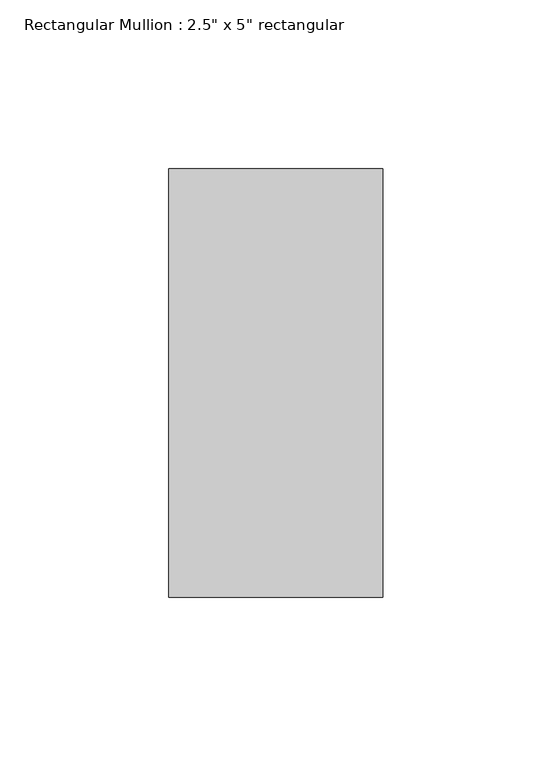
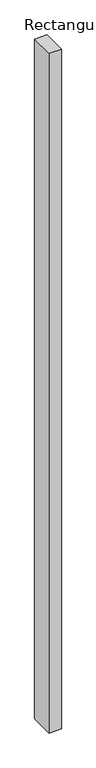
"""IFC4 building model written with IfcOpenShell, lengths in millimetres: member geometry."""

import ifcopenshell
import ifcopenshell.guid

model = None  # the IFC model being written
_history = None  # IfcOwnerHistory: only IFC2X3 demands one
_inside = {}  # id of a spatial element -> (the spatial element, [elements in it])
_under = {}  # id of a project, library or spatial element -> (it, [spatial elements below it])
_declared = {}  # id of a project -> (the project, [libraries it declares])
_typed = {}  # id of a type object -> (the type object, [elements of that type])
_made_of = {}  # id of a material, layer set ... -> (it, [elements and type objects made of it])


def new_model(schema):
    """Start an empty IFC model of exactly this schema.

    Asked for "IFC4X3", IfcOpenShell would pick the latest addendum, in which some entities
    have other attributes; the version numbers below select the first issue.
    IFC2X3 requires an IfcOwnerHistory on every rooted entity: one is made here for all.
    """
    global model, _history
    if schema == "IFC4X3":
        model = ifcopenshell.file(schema_version=(4, 3, 0, 0))
    else:
        model = ifcopenshell.file(schema=schema)
    _inside.clear()
    _under.clear()
    _declared.clear()
    _typed.clear()
    _made_of.clear()
    _history = None
    if model.schema == "IFC2X3":
        org = make("IfcOrganization", Name="unknown")
        user = make(
            "IfcPersonAndOrganization",
            ThePerson=make("IfcPerson", FamilyName="unknown"),
            TheOrganization=org,
        )
        app = make(
            "IfcApplication",
            ApplicationDeveloper=org,
            Version="unknown",
            ApplicationFullName="unknown",
            ApplicationIdentifier="unknown",
        )
        _history = make(
            "IfcOwnerHistory",
            OwningUser=user,
            OwningApplication=app,
            ChangeAction="ADDED",
            CreationDate=0,
        )
    return model


def make(cls, **values):
    """One entity of the class cls with the attributes given. An attribute that is None is left unset."""
    return model.create_entity(
        cls, **{name: value for name, value in values.items() if value is not None}
    )


def rooted(cls, **values):
    """An entity with a GlobalId (a new one), such as an element, a storey or a relation."""
    return make(cls, GlobalId=ifcopenshell.guid.new(), OwnerHistory=_history, **values)


def si_unit(unit_type, name, prefix=None):
    """IfcSIUnit, for example si_unit("LENGTHUNIT", "METRE", prefix="MILLI")."""
    return make("IfcSIUnit", UnitType=unit_type, Prefix=prefix, Name=name)


def assignment(units):
    """IfcUnitAssignment: the units of a project."""
    return None if units is None else make("IfcUnitAssignment", Units=units)


def point(xyz):
    """IfcCartesianPoint."""
    return None if xyz is None else make("IfcCartesianPoint", Coordinates=xyz)


def direction(xyz):
    """IfcDirection."""
    return None if xyz is None else make("IfcDirection", DirectionRatios=xyz)


def frame(location, z_axis=None, x_axis=None):
    """IfcAxis2Placement3D, a coordinate frame: its origin and axes. An axis left out is left unset."""
    return make(
        "IfcAxis2Placement3D",
        Location=point(location),
        Axis=direction(z_axis),
        RefDirection=direction(x_axis),
    )


def origin():
    """The frame at (0, 0, 0) with its axes left unset."""
    return frame((0.0, 0.0, 0.0))


def place(relative_to, where):
    """IfcLocalPlacement: puts the frame where relative to a parent placement (None: the world)."""
    return make(
        "IfcLocalPlacement", PlacementRelTo=relative_to, RelativePlacement=where
    )


def context(
    kind, dimensions, precision=None, world=None, true_north=None, identifier=None
):
    """IfcGeometricRepresentationContext, for example the 3D "Model" context."""
    return make(
        "IfcGeometricRepresentationContext",
        ContextIdentifier=identifier,
        ContextType=kind,
        CoordinateSpaceDimension=dimensions,
        Precision=precision,
        WorldCoordinateSystem=world,
        TrueNorth=true_north,
    )


def project(units=None, contexts=None):
    """IfcProject with its units and contexts."""
    return rooted(
        "IfcProject",
        Name="project",
        RepresentationContexts=contexts,
        UnitsInContext=assignment(units),
    )


def spatial(cls, under=None, at=None, **own):
    """A site, building, storey or space (cls), placed at a placement, below another one or the project."""
    s = rooted(cls, ObjectPlacement=at, **own)
    if under is not None:
        _under.setdefault(under.id(), (under, []))[1].append(s)
    return s


def polyline(points):
    """IfcPolyline through the points."""
    return make("IfcPolyline", Points=[point(p) for p in points])


def outline(outer, holes=None, kind="AREA"):
    """IfcArbitraryClosedProfileDef: a profile drawn as a closed curve; with holes, ...WithVoids."""
    if holes is None:
        return make("IfcArbitraryClosedProfileDef", ProfileType=kind, OuterCurve=outer)
    return make(
        "IfcArbitraryProfileDefWithVoids",
        ProfileType=kind,
        OuterCurve=outer,
        InnerCurves=holes,
    )


def extrude(swept, where, along, depth):
    """IfcExtrudedAreaSolid: the profile swept, set in the frame where, extruded along a direction by depth."""
    return make(
        "IfcExtrudedAreaSolid",
        SweptArea=swept,
        Position=where,
        ExtrudedDirection=direction(along),
        Depth=depth,
    )


def shape(context_of_items, identifier, shape_type, items):
    """IfcShapeRepresentation: the items that make up one representation, for example the "Body"."""
    return make(
        "IfcShapeRepresentation",
        ContextOfItems=context_of_items,
        RepresentationIdentifier=identifier,
        RepresentationType=shape_type,
        Items=items,
    )


def source(mapping_origin, context_of_items, identifier, shape_type, items):
    """IfcRepresentationMap: a shape defined once, which mapped items show again and again."""
    return make(
        "IfcRepresentationMap",
        MappingOrigin=mapping_origin,
        MappedRepresentation=shape(context_of_items, identifier, shape_type, items),
    )


def transform(
    local_origin,
    x_axis=None,
    y_axis=None,
    z_axis=None,
    scale=None,
    scale2=None,
    scale3=None,
    uniform=True,
):
    """IfcCartesianTransformationOperator3D, or its non-uniform kind. x_axis, y_axis, z_axis: its Axis1, 2, 3."""
    if uniform:
        return make(
            "IfcCartesianTransformationOperator3D",
            Axis1=direction(x_axis),
            Axis2=direction(y_axis),
            LocalOrigin=point(local_origin),
            Scale=scale,
            Axis3=direction(z_axis),
        )
    return make(
        "IfcCartesianTransformationOperator3DnonUniform",
        Axis1=direction(x_axis),
        Axis2=direction(y_axis),
        LocalOrigin=point(local_origin),
        Scale=scale,
        Axis3=direction(z_axis),
        Scale2=scale2,
        Scale3=scale3,
    )


def mapped(mapping_source, mapping_target):
    """IfcMappedItem: shows the shape of a source again, moved by a transform."""
    return make(
        "IfcMappedItem", MappingSource=mapping_source, MappingTarget=mapping_target
    )


def made_of(thing, what):
    """Note that an element or type object is made of a material, layer set ...; save() writes the relation."""
    if what is not None:
        _made_of.setdefault(what.id(), (what, []))[1].append(thing)
    return thing


def element(
    cls,
    number,
    at=None,
    inside=None,
    cuts=None,
    type_object=None,
    material=None,
    context=None,
    identifier="Body",
    shape_type=None,
    held_by="IfcProductDefinitionShape",
    body=None,
    shapes=None,
    **own,
):
    """One element of the class cls, such as IfcWall. Its Tag is "e" and its number.

    at: its placement. inside: the storey or other place that contains it. cuts: it is an
    opening in that element (IfcRelVoidsElement). A single representation is given by context,
    identifier, shape_type and body (its items); several are given by shapes. held_by: the class
    of the entity that holds the representations. save() writes the other relations.
    """
    e = rooted(cls, Tag="e%d" % number, ObjectPlacement=at, **own)
    if body is not None:
        shapes = [shape(context, identifier, shape_type, body)]
    if shapes is not None:
        e.Representation = make(held_by, Representations=shapes)
    if inside is not None:
        _inside.setdefault(inside.id(), (inside, []))[1].append(e)
    if cuts is not None:
        rooted(
            "IfcRelVoidsElement", RelatingBuildingElement=cuts, RelatedOpeningElement=e
        )
    if type_object is not None:
        _typed.setdefault(type_object.id(), (type_object, []))[1].append(e)
    return made_of(e, material)


def aggregate(whole, parts):
    """IfcRelAggregates: a whole, such as a stair, and the parts it consists of."""
    return rooted("IfcRelAggregates", RelatingObject=whole, RelatedObjects=parts)


def save(model, path):
    """Write the relations noted so far, then the file.

    IfcRelAggregates (storeys below a building ...), IfcRelContainedInSpatialStructure (elements
    in a storey), IfcRelDefinesByType, IfcRelAssociatesMaterial and IfcRelDeclares: one each for
    every whole, place, type object, material and project.
    """
    for whole, parts in _under.values():
        aggregate(whole, parts)
    for where, things in _inside.values():
        rooted(
            "IfcRelContainedInSpatialStructure",
            RelatedElements=things,
            RelatingStructure=where,
        )
    for kind, things in _typed.values():
        rooted("IfcRelDefinesByType", RelatedObjects=things, RelatingType=kind)
    for what, things in _made_of.values():
        rooted("IfcRelAssociatesMaterial", RelatedObjects=things, RelatingMaterial=what)
    for by, libraries in _declared.values():
        rooted("IfcRelDeclares", RelatingContext=by, RelatedDefinitions=libraries)
    model.write(path)


def member_7a0c5841(model_context):
    return source(origin(), model_context, "Body", "SweptSolid", [
        extrude(outline(polyline([(31.75, 63.5), (31.75, -63.5), (-31.75, -63.5), (-31.75, 63.5), (31.75, 63.5)])), frame((0.0, 0.0, -3690.0076344), z_axis=(0.0, 0.0, 1.0), x_axis=(1.0, 0.0, 0.0)), (0.0, 0.0, 1.0), 3690.0076344),
    ])


if __name__ == "__main__":
    model = new_model("IFC4")
    model_context = context("Model", 3, world=origin())
    ifc_project = project(units=[si_unit("LENGTHUNIT", "METRE", prefix="MILLI")], contexts=[model_context])
    site = spatial("IfcSite", under=ifc_project)
    building = spatial("IfcBuilding", under=site)
    placement = place(None, origin())
    member_shape = member_7a0c5841(model_context)
    element("IfcMember", 1, ObjectType="Rectangular Mullion : 2.5\" x 5\" rectangular", at=placement, inside=building, context=model_context, shape_type="MappedRepresentation", body=[
        mapped(member_shape, transform((0.0, 0.0, 0.0), x_axis=(1.0, 0.0, 0.0), y_axis=(0.0, 1.0, 0.0), z_axis=(0.0, 0.0, 1.0))),
    ])
    save(model, "model.ifc")
